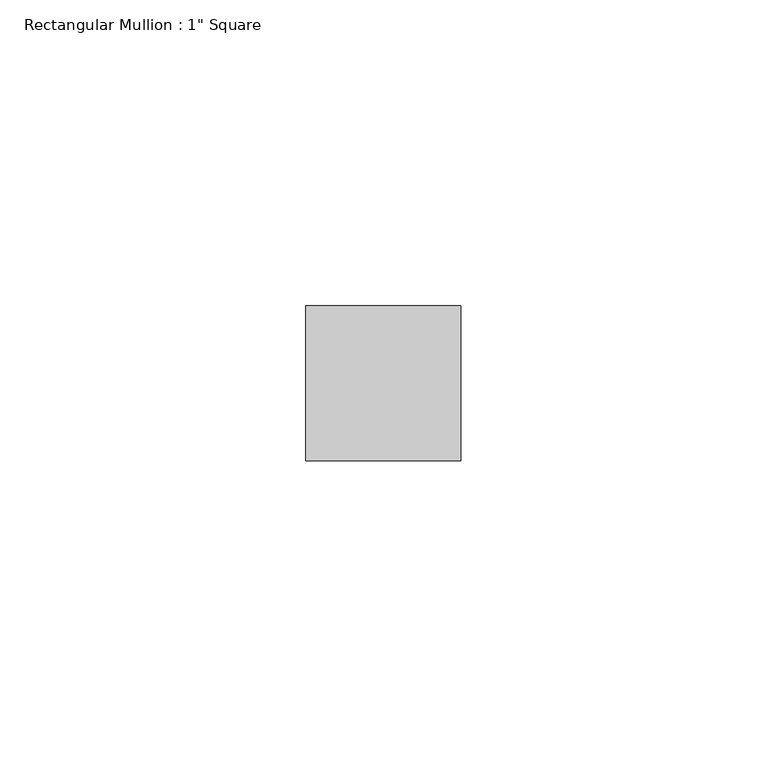
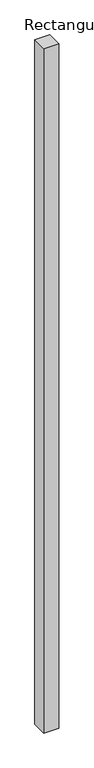
"""IFC4 building model written with IfcOpenShell, lengths in millimetres: member geometry."""

from ifc_helpers import new_model, si_unit, frame, origin, place, context, project, spatial, polyline, outline, extrude, source, transform, mapped, element, save


def member_e689ca9c(model_context):
    return source(origin(), model_context, "Body", "SweptSolid", [
        extrude(outline(polyline([(0.0, 12.7), (0.0, -12.7), (-25.4, -12.7), (-25.4, 12.7), (0.0, 12.7)])), frame((0.0, 0.0, -1219.2), z_axis=(0.0, 0.0, 1.0), x_axis=(1.0, 0.0, 0.0)), (0.0, 0.0, 1.0), 1219.2),
    ])


if __name__ == "__main__":
    model = new_model("IFC4")
    model_context = context("Model", 3, world=origin())
    ifc_project = project(units=[si_unit("LENGTHUNIT", "METRE", prefix="MILLI")], contexts=[model_context])
    site = spatial("IfcSite", under=ifc_project)
    building = spatial("IfcBuilding", under=site)
    placement = place(None, origin())
    member_shape = member_e689ca9c(model_context)
    element("IfcMember", 1, ObjectType="Rectangular Mullion : 1\" Square", at=placement, inside=building, context=model_context, shape_type="MappedRepresentation", body=[
        mapped(member_shape, transform((0.0, 0.0, 0.0), x_axis=(1.0, 0.0, 0.0), y_axis=(0.0, 1.0, 0.0), z_axis=(0.0, 0.0, 1.0))),
    ])
    save(model, "model.ifc")
